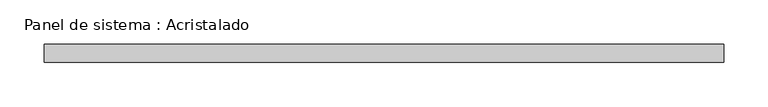
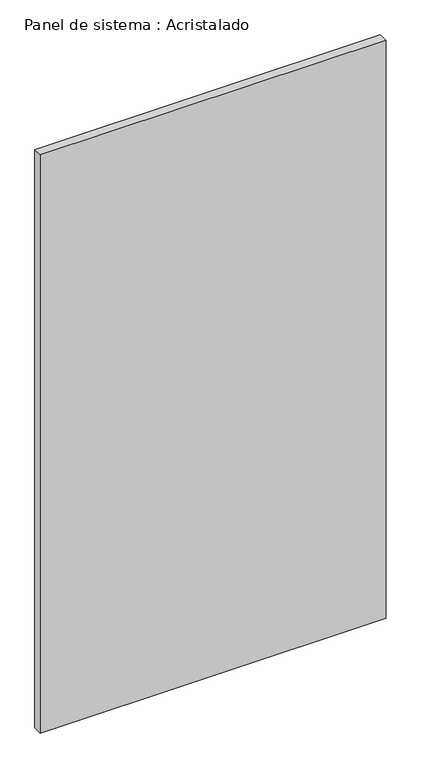
"""IFC4 building model written with IfcOpenShell, lengths in millimetres: plate geometry, Panel de sistema : Acristalado."""

import ifcopenshell
import ifcopenshell.guid

model = None  # the IFC model being written
_history = None  # IfcOwnerHistory: only IFC2X3 demands one
_inside = {}  # id of a spatial element -> (the spatial element, [elements in it])
_under = {}  # id of a project, library or spatial element -> (it, [spatial elements below it])
_declared = {}  # id of a project -> (the project, [libraries it declares])
_typed = {}  # id of a type object -> (the type object, [elements of that type])
_made_of = {}  # id of a material, layer set ... -> (it, [elements and type objects made of it])


def new_model(schema):
    """Start an empty IFC model of exactly this schema.

    Asked for "IFC4X3", IfcOpenShell would pick the latest addendum, in which some entities
    have other attributes; the version numbers below select the first issue.
    IFC2X3 requires an IfcOwnerHistory on every rooted entity: one is made here for all.
    """
    global model, _history
    if schema == "IFC4X3":
        model = ifcopenshell.file(schema_version=(4, 3, 0, 0))
    else:
        model = ifcopenshell.file(schema=schema)
    _inside.clear()
    _under.clear()
    _declared.clear()
    _typed.clear()
    _made_of.clear()
    _history = None
    if model.schema == "IFC2X3":
        org = make("IfcOrganization", Name="unknown")
        user = make(
            "IfcPersonAndOrganization",
            ThePerson=make("IfcPerson", FamilyName="unknown"),
            TheOrganization=org,
        )
        app = make(
            "IfcApplication",
            ApplicationDeveloper=org,
            Version="unknown",
            ApplicationFullName="unknown",
            ApplicationIdentifier="unknown",
        )
        _history = make(
            "IfcOwnerHistory",
            OwningUser=user,
            OwningApplication=app,
            ChangeAction="ADDED",
            CreationDate=0,
        )
    return model


def make(cls, **values):
    """One entity of the class cls with the attributes given. An attribute that is None is left unset."""
    return model.create_entity(
        cls, **{name: value for name, value in values.items() if value is not None}
    )


def rooted(cls, **values):
    """An entity with a GlobalId (a new one), such as an element, a storey or a relation."""
    return make(cls, GlobalId=ifcopenshell.guid.new(), OwnerHistory=_history, **values)


def si_unit(unit_type, name, prefix=None):
    """IfcSIUnit, for example si_unit("LENGTHUNIT", "METRE", prefix="MILLI")."""
    return make("IfcSIUnit", UnitType=unit_type, Prefix=prefix, Name=name)


def assignment(units):
    """IfcUnitAssignment: the units of a project."""
    return None if units is None else make("IfcUnitAssignment", Units=units)


def point(xyz):
    """IfcCartesianPoint."""
    return None if xyz is None else make("IfcCartesianPoint", Coordinates=xyz)


def direction(xyz):
    """IfcDirection."""
    return None if xyz is None else make("IfcDirection", DirectionRatios=xyz)


def frame(location, z_axis=None, x_axis=None):
    """IfcAxis2Placement3D, a coordinate frame: its origin and axes. An axis left out is left unset."""
    return make(
        "IfcAxis2Placement3D",
        Location=point(location),
        Axis=direction(z_axis),
        RefDirection=direction(x_axis),
    )


def origin():
    """The frame at (0, 0, 0) with its axes left unset."""
    return frame((0.0, 0.0, 0.0))


def origin_with_axes():
    """The frame at (0, 0, 0) with the z axis (0, 0, 1) and the x axis (1, 0, 0) written out."""
    return frame((0.0, 0.0, 0.0), z_axis=(0.0, 0.0, 1.0), x_axis=(1.0, 0.0, 0.0))


def place(relative_to, where):
    """IfcLocalPlacement: puts the frame where relative to a parent placement (None: the world)."""
    return make(
        "IfcLocalPlacement", PlacementRelTo=relative_to, RelativePlacement=where
    )


def context(
    kind, dimensions, precision=None, world=None, true_north=None, identifier=None
):
    """IfcGeometricRepresentationContext, for example the 3D "Model" context."""
    return make(
        "IfcGeometricRepresentationContext",
        ContextIdentifier=identifier,
        ContextType=kind,
        CoordinateSpaceDimension=dimensions,
        Precision=precision,
        WorldCoordinateSystem=world,
        TrueNorth=true_north,
    )


def project(units=None, contexts=None):
    """IfcProject with its units and contexts."""
    return rooted(
        "IfcProject",
        Name="project",
        RepresentationContexts=contexts,
        UnitsInContext=assignment(units),
    )


def spatial(cls, under=None, at=None, **own):
    """A site, building, storey or space (cls), placed at a placement, below another one or the project."""
    s = rooted(cls, ObjectPlacement=at, **own)
    if under is not None:
        _under.setdefault(under.id(), (under, []))[1].append(s)
    return s


def polyline(points):
    """IfcPolyline through the points."""
    return make("IfcPolyline", Points=[point(p) for p in points])


def outline(outer, holes=None, kind="AREA"):
    """IfcArbitraryClosedProfileDef: a profile drawn as a closed curve; with holes, ...WithVoids."""
    if holes is None:
        return make("IfcArbitraryClosedProfileDef", ProfileType=kind, OuterCurve=outer)
    return make(
        "IfcArbitraryProfileDefWithVoids",
        ProfileType=kind,
        OuterCurve=outer,
        InnerCurves=holes,
    )


def extrude(swept, where, along, depth):
    """IfcExtrudedAreaSolid: the profile swept, set in the frame where, extruded along a direction by depth."""
    return make(
        "IfcExtrudedAreaSolid",
        SweptArea=swept,
        Position=where,
        ExtrudedDirection=direction(along),
        Depth=depth,
    )


def shape(context_of_items, identifier, shape_type, items):
    """IfcShapeRepresentation: the items that make up one representation, for example the "Body"."""
    return make(
        "IfcShapeRepresentation",
        ContextOfItems=context_of_items,
        RepresentationIdentifier=identifier,
        RepresentationType=shape_type,
        Items=items,
    )


def source(mapping_origin, context_of_items, identifier, shape_type, items):
    """IfcRepresentationMap: a shape defined once, which mapped items show again and again."""
    return make(
        "IfcRepresentationMap",
        MappingOrigin=mapping_origin,
        MappedRepresentation=shape(context_of_items, identifier, shape_type, items),
    )


def transform(
    local_origin,
    x_axis=None,
    y_axis=None,
    z_axis=None,
    scale=None,
    scale2=None,
    scale3=None,
    uniform=True,
):
    """IfcCartesianTransformationOperator3D, or its non-uniform kind. x_axis, y_axis, z_axis: its Axis1, 2, 3."""
    if uniform:
        return make(
            "IfcCartesianTransformationOperator3D",
            Axis1=direction(x_axis),
            Axis2=direction(y_axis),
            LocalOrigin=point(local_origin),
            Scale=scale,
            Axis3=direction(z_axis),
        )
    return make(
        "IfcCartesianTransformationOperator3DnonUniform",
        Axis1=direction(x_axis),
        Axis2=direction(y_axis),
        LocalOrigin=point(local_origin),
        Scale=scale,
        Axis3=direction(z_axis),
        Scale2=scale2,
        Scale3=scale3,
    )


def mapped(mapping_source, mapping_target):
    """IfcMappedItem: shows the shape of a source again, moved by a transform."""
    return make(
        "IfcMappedItem", MappingSource=mapping_source, MappingTarget=mapping_target
    )


def made_of(thing, what):
    """Note that an element or type object is made of a material, layer set ...; save() writes the relation."""
    if what is not None:
        _made_of.setdefault(what.id(), (what, []))[1].append(thing)
    return thing


def element(
    cls,
    number,
    at=None,
    inside=None,
    cuts=None,
    type_object=None,
    material=None,
    context=None,
    identifier="Body",
    shape_type=None,
    held_by="IfcProductDefinitionShape",
    body=None,
    shapes=None,
    **own,
):
    """One element of the class cls, such as IfcWall. Its Tag is "e" and its number.

    at: its placement. inside: the storey or other place that contains it. cuts: it is an
    opening in that element (IfcRelVoidsElement). A single representation is given by context,
    identifier, shape_type and body (its items); several are given by shapes. held_by: the class
    of the entity that holds the representations. save() writes the other relations.
    """
    e = rooted(cls, Tag="e%d" % number, ObjectPlacement=at, **own)
    if body is not None:
        shapes = [shape(context, identifier, shape_type, body)]
    if shapes is not None:
        e.Representation = make(held_by, Representations=shapes)
    if inside is not None:
        _inside.setdefault(inside.id(), (inside, []))[1].append(e)
    if cuts is not None:
        rooted(
            "IfcRelVoidsElement", RelatingBuildingElement=cuts, RelatedOpeningElement=e
        )
    if type_object is not None:
        _typed.setdefault(type_object.id(), (type_object, []))[1].append(e)
    return made_of(e, material)


def aggregate(whole, parts):
    """IfcRelAggregates: a whole, such as a stair, and the parts it consists of."""
    return rooted("IfcRelAggregates", RelatingObject=whole, RelatedObjects=parts)


def save(model, path):
    """Write the relations noted so far, then the file.

    IfcRelAggregates (storeys below a building ...), IfcRelContainedInSpatialStructure (elements
    in a storey), IfcRelDefinesByType, IfcRelAssociatesMaterial and IfcRelDeclares: one each for
    every whole, place, type object, material and project.
    """
    for whole, parts in _under.values():
        aggregate(whole, parts)
    for where, things in _inside.values():
        rooted(
            "IfcRelContainedInSpatialStructure",
            RelatedElements=things,
            RelatingStructure=where,
        )
    for kind, things in _typed.values():
        rooted("IfcRelDefinesByType", RelatedObjects=things, RelatingType=kind)
    for what, things in _made_of.values():
        rooted("IfcRelAssociatesMaterial", RelatedObjects=things, RelatingMaterial=what)
    for by, libraries in _declared.values():
        rooted("IfcRelDeclares", RelatingContext=by, RelatedDefinitions=libraries)
    model.write(path)


def panel_de_sistema_acristalado_4b3c139d(model_context):
    return source(origin(), model_context, "Body", "SweptSolid", [
        extrude(outline(polyline([(382.0, -10.0), (-382.0, -10.0), (-382.0, 10.0), (382.0, 10.0), (382.0, -10.0)])), origin_with_axes(), (0.0, 0.0, 1.0), 1350.0),
    ])


if __name__ == "__main__":
    model = new_model("IFC4")
    model_context = context("Model", 3, world=origin())
    ifc_project = project(units=[si_unit("LENGTHUNIT", "METRE", prefix="MILLI")], contexts=[model_context])
    site = spatial("IfcSite", under=ifc_project)
    building = spatial("IfcBuilding", under=site)
    placement = place(None, origin())
    panel_de_sistema_acristalado_shape = panel_de_sistema_acristalado_4b3c139d(model_context)
    element("IfcPlate", 1, ObjectType="Panel de sistema : Acristalado", at=placement, inside=building, context=model_context, shape_type="MappedRepresentation", body=[
        mapped(panel_de_sistema_acristalado_shape, transform((0.0, 0.0, 0.0), x_axis=(1.0, 0.0, 0.0), y_axis=(0.0, 1.0, 0.0), z_axis=(0.0, 0.0, 1.0))),
    ])
    save(model, "model.ifc")
